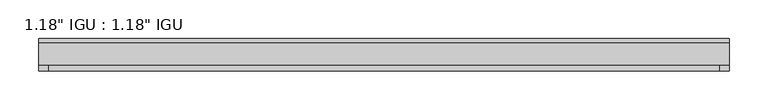
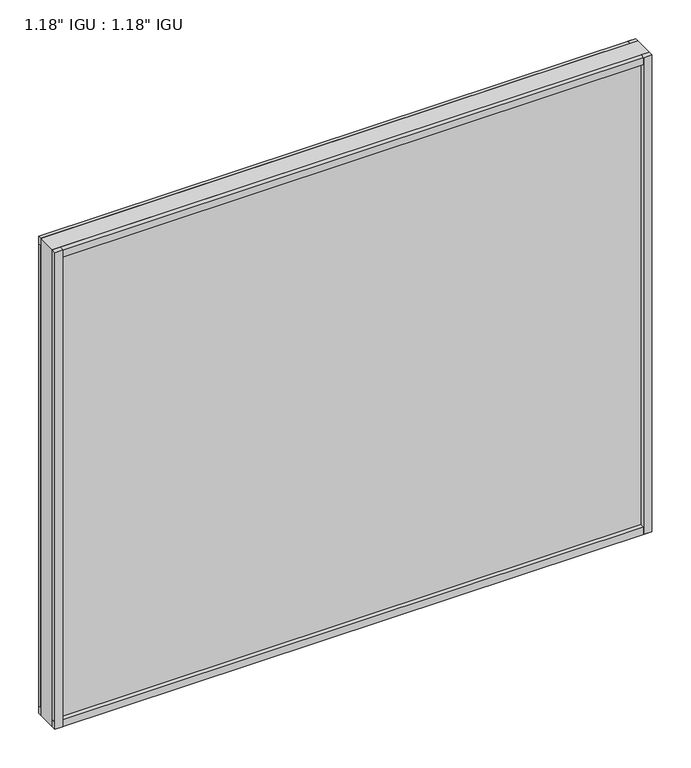
"""IFC4 building model written with IfcOpenShell, lengths in millimetres: plate geometry."""

from ifc_helpers import new_model, si_unit, frame, origin, origin_with_axes, place, context, project, spatial, polyline, outline, extrude, source, transform, mapped, element, save


def plate_7924f5eb(model_context):
    return source(origin(), model_context, "Body", "SweptSolid", [
        extrude(outline(polyline([(444.5, -9.7647125), (444.5, -14.5399125), (-444.5, -14.5399125), (-444.5, -9.7647125), (444.5, -9.7647125)])), origin_with_axes(), (0.0, 0.0, 1.0), 11.1252),
        extrude(outline(polyline([(-444.5, -14.5399125), (-444.5, -9.7647125), (444.5, -9.7647125), (444.5, -14.5399125), (-444.5, -14.5399125)])), frame((0.0, 0.0, 739.3887476), z_axis=(0.0, 0.0, 1.0), x_axis=(1.0, 0.0, 0.0)), (0.0, 0.0, 1.0), 11.1252),
        extrude(outline(polyline([(444.5, -44.6643125), (444.5, -51.3953125), (432.3623204, -51.3953125), (432.3623204, -44.6643125), (444.5, -44.6643125)])), origin_with_axes(), (0.0, 0.0, 1.0), 750.5139476),
        extrude(outline(polyline([(444.5, -9.7765488), (444.5, -14.5399125), (432.4875762, -14.5399125), (432.4875762, -9.7765488), (444.5, -9.7765488)])), origin_with_axes(), (0.0, 0.0, 1.0), 750.5139476),
        extrude(outline(polyline([(-432.4794229, -51.3953125), (-444.5, -51.3953125), (-444.5, -44.6643125), (-432.4794229, -44.6643125), (-432.4794229, -51.3953125)])), origin_with_axes(), (0.0, 0.0, 1.0), 750.5139476),
        extrude(outline(polyline([(-432.4794229, -14.5399125), (-444.5, -14.5399125), (-444.5, -9.7647125), (-432.4794229, -9.7647125), (-432.4794229, -14.5399125)])), origin_with_axes(), (0.0, 0.0, 1.0), 750.5139476),
        extrude(outline(polyline([(444.5, -44.6643125), (444.5, -51.3953125), (-444.5, -51.3953125), (-444.5, -44.6643125), (444.5, -44.6643125)])), origin_with_axes(), (0.0, 0.0, 1.0), 11.1693096),
        extrude(outline(polyline([(444.5, -44.6643125), (444.5, -51.3953125), (-444.5, -51.3953125), (-444.5, -44.6643125), (444.5, -44.6643125)])), frame((0.0, 0.0, 739.3328418), z_axis=(0.0, 0.0, 1.0), x_axis=(1.0, 0.0, 0.0)), (0.0, 0.0, 1.0), 11.1811058),
        extrude(outline(polyline([(444.5, -44.6643125), (-444.5, -44.6643125), (-444.5, -14.5399125), (444.5, -14.5399125), (444.5, -44.6643125)])), origin_with_axes(), (0.0, 0.0, 1.0), 750.5139476),
    ])


if __name__ == "__main__":
    model = new_model("IFC4")
    model_context = context("Model", 3, world=origin())
    ifc_project = project(units=[si_unit("LENGTHUNIT", "METRE", prefix="MILLI")], contexts=[model_context])
    site = spatial("IfcSite", under=ifc_project)
    building = spatial("IfcBuilding", under=site)
    placement = place(None, origin())
    plate_shape = plate_7924f5eb(model_context)
    element("IfcPlate", 1, ObjectType="1.18\" IGU : 1.18\" IGU", at=placement, inside=building, context=model_context, shape_type="MappedRepresentation", body=[
        mapped(plate_shape, transform((0.0, 0.0, 0.0), x_axis=(1.0, 0.0, 0.0), y_axis=(0.0, 1.0, 0.0), z_axis=(0.0, 0.0, 1.0))),
    ])
    save(model, "model.ifc")
